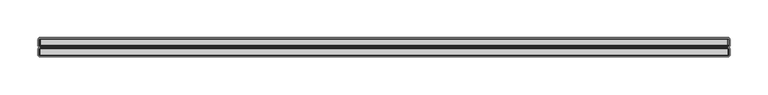
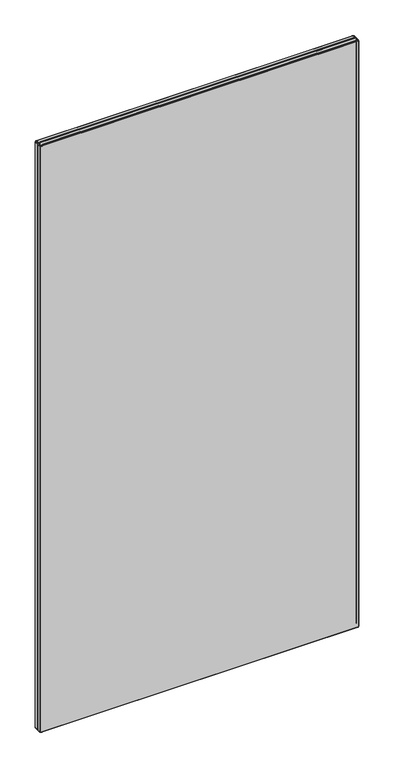
"""IFC4 building model written with IfcOpenShell, lengths in millimetres: furniture geometry."""

from ifc_helpers import new_model, si_unit, origin, place, context, project, spatial, triangles, source, transform, mapped, element, save


def furniture_6522b2c6(model_context):
    return source(origin(), model_context, "Body", "Tessellation", [
        triangles([(2870.2619253, 4757.3664517, 207.2580069), (2870.2619253, 4749.1983456, 207.2580069), (2869.2039957, 4749.1983456, 207.964995), (2869.2039957, 4757.3664517, 207.964995), (2871.5089422, 4758.8143284, 1981.3950462), (2870.8799108, 4758.8143284, 1981.2700539), (2870.4850221, 4758.3913891, 1982.2240654), (2871.5089422, 4758.3913891, 1982.42696), (2869.0359827, 4758.3913891, 209.2450041), (2868.4979341, 4757.3664517, 209.0219981), (2868.2489668, 4757.3664517, 210.269996), (2868.8319254, 4758.3913891, 210.269996), (2870.4850221, 4758.3913891, 207.7970002), (2870.8799108, 4758.8143284, 208.7509935), (2871.5089422, 4758.8143284, 208.6260012), (2871.5089422, 4758.3913891, 207.5929974), (3778.9898878, 4757.3664517, 1983.0100639), (2871.5089422, 4757.3664517, 1983.0100639), (2871.5089422, 4749.1983456, 1983.0100639), (3778.9898878, 4749.1983456, 1983.0100639), (3782.2489912, 4749.1983456, 1979.7509605), (3782.2489912, 4749.1983456, 210.269996), (3782.2489912, 4757.3664517, 210.269996), (3782.2489912, 4757.3664517, 1979.7509605), (3780.2369047, 4749.1983456, 1982.7619686), (3780.2369047, 4757.3664517, 1982.7619686), (3780.8830862, 4758.3913891, 1981.6429962), (3780.0139532, 4758.3913891, 1982.2240654), (3781.2949796, 4757.3664517, 1982.0560524), (3778.9898878, 4758.3913891, 1982.42696), (3779.6189191, 4758.8143284, 1981.2700539), (3778.9898878, 4758.8143284, 1981.3950462), (3780.1520261, 4758.8143284, 1980.9129536), (2868.4979341, 4757.3664517, 1980.9979774), (2868.4979341, 4749.1983456, 1980.9979774), (2869.2039957, 4749.1983456, 1982.0560524), (2869.2039957, 4757.3664517, 1982.0560524), (2868.2489668, 4749.1983456, 1979.7509605), (2868.2489668, 4757.3664517, 1979.7509605), (2869.0359827, 4758.3913891, 1980.7750259), (2868.8319254, 4758.3913891, 1979.7509605), (2870.2619253, 4757.3664517, 1982.7619686), (2869.6158891, 4758.3913891, 1981.6429962), (3781.4629926, 4758.3913891, 1980.7750259), (3780.5089811, 4758.8143284, 1980.3799919), (2871.5089422, 4757.3664517, 207.0100024), (2869.6158891, 4758.3913891, 208.3769975), (3782.0010412, 4757.3664517, 1980.9979774), (2870.3469492, 4758.8143284, 209.1070038), (3781.6670499, 4758.3913891, 210.269996), (3781.6670499, 4758.3913891, 1979.7509605), (3782.0010412, 4749.1983456, 209.0219981), (3782.0010412, 4757.3664517, 209.0219981), (3781.2949796, 4749.1983456, 1982.0560524), (3782.0010412, 4749.1983456, 1980.9979774), (2869.8650018, 4758.8143284, 1979.7509605), (2869.8650018, 4758.8143284, 210.269996), (3781.2949796, 4757.3664517, 207.964995), (3781.2949796, 4749.1983456, 207.964995), (2871.5089422, 4749.1983456, 207.0100024), (3780.2369047, 4749.1983456, 207.2580069), (3780.2369047, 4757.3664517, 207.2580069), (3778.9898878, 4757.3664517, 207.0100024), (3778.9898878, 4749.1983456, 207.0100024), (3778.9898878, 4758.3913891, 207.5929974), (3780.0139532, 4758.3913891, 207.7970002), (3780.8830862, 4758.3913891, 208.3769975), (3781.4629926, 4758.3913891, 209.2450041), (3780.5089811, 4758.8143284, 209.6400018), (3780.6339735, 4758.8143284, 210.269996), (3780.1520261, 4758.8143284, 209.1070038), (3779.6189191, 4758.8143284, 208.7509935), (3778.9898878, 4758.8143284, 208.6260012), (2869.9899942, 4758.8143284, 209.6400018), (3780.6339735, 4758.8143284, 1979.7509605), (2870.3469492, 4758.8143284, 1980.9129536), (2870.2619253, 4749.1983456, 1982.7619686), (2869.9899942, 4758.8143284, 1980.3799919), (2868.2489668, 4749.1983456, 210.269996), (2868.4979341, 4749.1983456, 209.0219981), (2871.5089422, 4757.3664517, 1982.8680668), (2871.5089422, 4748.1734081, 1982.42696), (2871.5089422, 4747.7504688, 1981.3950462), (3778.9898878, 4747.7504688, 1981.3950462), (3778.9898878, 4748.1734081, 1982.42696), (2870.3340139, 4746.8002361, 1979.6560535), (2871.6039945, 4746.8002361, 1980.9260342), (2871.1179777, 4746.8002361, 1980.8289471), (2870.4309557, 4746.8002361, 1980.1420704), (3779.6189191, 4747.7504688, 1981.2700539), (3780.0139532, 4748.1734081, 1982.2240654), (3778.9898878, 4760.1872097, 1981.3950462), (2871.5089422, 4760.1872097, 1981.3950462), (2869.8650018, 4760.1872097, 210.269996), (2869.9899942, 4760.1872097, 209.6400018), (3781.4629926, 4748.1734081, 1980.7750259), (3780.8830862, 4748.1734081, 1981.6429962), (2869.9899942, 4760.1872097, 1980.3799919), (2869.8650018, 4760.1872097, 1979.7509605), (3780.6339735, 4760.1872097, 1979.7509605), (3780.5089811, 4760.1872097, 1980.3799919), (2870.8799108, 4760.1872097, 1981.2700539), (2870.3469492, 4760.1872097, 1980.9129536), (3779.3808523, 4746.8002361, 1980.8289471), (3778.8948354, 4746.8002361, 1980.9260342), (3780.1648161, 4746.8002361, 1979.6560535), (3780.0680196, 4746.8002361, 1980.1420704), (2870.4309557, 4746.8002361, 209.8789952), (2870.7059389, 4746.8002361, 209.4669927), (2871.1179777, 4746.8002361, 209.1909921), (2870.3340139, 4746.8002361, 210.3649939), (3780.1648161, 4746.8002361, 210.3649939), (3780.0680196, 4746.8002361, 209.8789952), (3778.8948354, 4746.8002361, 209.0949951), (3779.3808523, 4746.8002361, 209.1909921), (2871.6039945, 4746.8002361, 209.0949951), (3779.6189191, 4760.1872097, 1981.2700539), (3780.1520261, 4760.1872097, 1980.9129536), (3779.6189191, 4760.1872097, 208.7509935), (3778.9898878, 4760.1872097, 208.6260012), (3779.7930364, 4746.8002361, 209.4669927), (2871.5089422, 4760.1872097, 208.6260012), (2870.8799108, 4760.1872097, 208.7509935), (2870.3469492, 4760.1872097, 209.1070038), (3780.1520261, 4760.1872097, 209.1070038), (2870.7059389, 4746.8002361, 1980.5539639), (3780.6339735, 4760.1872097, 210.269996), (3779.7930364, 4746.8002361, 1980.5539639), (3780.5089811, 4760.1872097, 209.6400018), (3781.6670499, 4748.1734081, 1979.7509605), (2868.8319254, 4748.1734081, 210.269996), (2869.8650018, 4747.7504688, 210.269996), (2869.8650018, 4747.7504688, 1979.7509605), (2868.8319254, 4748.1734081, 1979.7509605), (3781.4629926, 4748.1734081, 209.2450041), (3780.5089811, 4747.7504688, 209.6400018), (3780.1520261, 4747.7504688, 209.1070038), (3780.8830862, 4748.1734081, 208.3769975), (2870.4850221, 4748.1734081, 207.7970002), (2869.6158891, 4748.1734081, 208.3769975), (2871.5089422, 4748.1734081, 207.5929974), (2870.8799108, 4747.7504688, 208.7509935), (2870.3469492, 4747.7504688, 209.1070038), (2869.9899942, 4747.7504688, 209.6400018), (2869.0359827, 4748.1734081, 209.2450041), (3781.6670499, 4748.1734081, 210.269996), (3778.9898878, 4748.1734081, 207.5929974), (3780.0139532, 4748.1734081, 207.7970002), (3780.6339735, 4747.7504688, 210.269996), (3779.6189191, 4747.7504688, 208.7509935), (2871.5089422, 4747.7504688, 208.6260012), (2869.9899942, 4747.7504688, 1980.3799919), (2870.3469492, 4747.7504688, 1980.9129536), (2869.6158891, 4748.1734081, 1981.6429962), (2869.0359827, 4748.1734081, 1980.7750259), (2870.8799108, 4747.7504688, 1981.2700539), (3780.1520261, 4747.7504688, 1980.9129536), (3780.5089811, 4747.7504688, 1980.3799919), (3778.9898878, 4747.7504688, 208.6260012), (3780.6339735, 4747.7504688, 1979.7509605), (2870.4850221, 4748.1734081, 1982.2240654), (2871.5089422, 4760.609277, 1982.42696), (2871.5089422, 4761.6342144, 1983.0100639), (2870.2619253, 4761.6342144, 1982.7619686), (2870.4850221, 4760.609277, 1982.2240654), (3781.2949796, 4769.8031925, 207.964995), (3782.0010412, 4769.8031925, 209.0219981), (3782.0010412, 4761.6342144, 209.0219981), (3781.2949796, 4761.6342144, 207.964995), (3780.0139532, 4760.609277, 207.7970002), (3780.2369047, 4761.6342144, 207.2580069), (3780.8830862, 4760.609277, 208.3769975), (3782.0010412, 4761.6342144, 1980.9979774), (3782.0010412, 4769.8031925, 1980.9979774), (3781.2949796, 4769.8031925, 1982.0560524), (3781.2949796, 4761.6342144, 1982.0560524), (3781.4629926, 4760.609277, 209.2450041), (3781.6670499, 4760.609277, 210.269996), (2871.5089422, 4761.6342144, 207.0100024), (2870.2619253, 4761.6342144, 207.2580069), (2870.2619253, 4769.8031925, 207.2580069), (2871.5089422, 4769.8031925, 207.0100024), (3778.9898878, 4769.8031925, 207.0100024), (3780.2369047, 4769.8031925, 207.2580069), (3778.9898878, 4761.6342144, 207.0100024), (3781.4629926, 4760.609277, 1980.7750259), (3780.8830862, 4760.609277, 1981.6429962), (3782.2489912, 4761.6342144, 1979.7509605), (3781.6670499, 4760.609277, 1979.7509605), (2869.2039957, 4761.6342144, 1982.0560524), (2870.2619253, 4769.8031925, 1982.7619686), (2869.2039957, 4769.8031925, 1982.0560524), (2869.6158891, 4760.609277, 208.3769975), (2869.0359827, 4760.609277, 209.2450041), (2868.4979341, 4761.6342144, 209.0219981), (2869.2039957, 4761.6342144, 207.964995), (2871.5089422, 4760.609277, 207.5929974), (2870.4850221, 4760.609277, 207.7970002), (3782.2489912, 4761.6342144, 210.269996), (3782.2489912, 4769.8031925, 210.269996), (3782.2489912, 4769.8031925, 1979.7509605), (2869.2039957, 4769.8031925, 207.964995), (2871.5089422, 4769.8031925, 1983.0100639), (3780.0139532, 4760.609277, 1982.2240654), (3780.2369047, 4761.6342144, 1982.7619686), (3778.9898878, 4761.6342144, 1983.0100639), (3778.9898878, 4760.609277, 1982.42696), (2869.6158891, 4760.609277, 1981.6429962), (2868.4979341, 4761.6342144, 1980.9979774), (2869.0359827, 4760.609277, 1980.7750259), (2868.8319254, 4760.609277, 210.269996), (3778.9898878, 4760.609277, 207.5929974), (3780.2369047, 4769.8031925, 1982.7619686), (3778.9898878, 4769.8031925, 1983.0100639), (2868.2489668, 4761.6342144, 1979.7509605), (2868.4979341, 4769.8031925, 1980.9979774), (2868.2489668, 4769.8031925, 1979.7509605), (2868.2489668, 4761.6342144, 210.269996), (2868.8319254, 4760.609277, 1979.7509605), (2871.5089422, 4761.6342144, 1982.8680668), (2868.2489668, 4769.8031925, 210.269996), (2868.4979341, 4769.8031925, 209.0219981), (2869.0359827, 4770.8284207, 1980.7750259), (2869.6158891, 4770.8284207, 1981.6429962), (2871.5089422, 4771.2501972, 1981.3950462), (2870.8799108, 4771.2501972, 1981.2700539), (2870.4850221, 4770.8284207, 1982.2240654), (2871.5089422, 4770.8284207, 1982.42696), (2870.3469492, 4771.2501972, 1980.9129536), (2869.9899942, 4771.2501972, 1980.3799919), (2869.8650018, 4771.2501972, 1979.7509605), (2868.8319254, 4770.8284207, 1979.7509605), (2869.8650018, 4771.2501972, 210.269996), (2868.8319254, 4770.8284207, 210.269996), (2870.4850221, 4770.8284207, 207.7970002), (2869.6158891, 4770.8284207, 208.3769975), (2870.4309557, 4772.2004299, 209.8789952), (2871.1179777, 4772.2004299, 209.1909921), (2870.7059389, 4772.2004299, 209.4669927), (2870.3340139, 4772.2004299, 1979.6560535), (2871.6039945, 4772.2004299, 1980.9260342), (3778.8948354, 4772.2004299, 1980.9260342), (3780.1648161, 4772.2004299, 1979.6560535), (3780.8830862, 4770.8284207, 1981.6429962), (3780.1520261, 4771.2501972, 1980.9129536), (3779.6189191, 4771.2501972, 1981.2700539), (3780.0139532, 4770.8284207, 1982.2240654), (2869.0359827, 4770.8284207, 209.2450041), (2870.4309557, 4772.2004299, 1980.1420704), (2871.1179777, 4772.2004299, 1980.8289471), (3779.3808523, 4772.2004299, 209.1909921), (3780.0680196, 4772.2004299, 209.8789952), (3779.7930364, 4772.2004299, 209.4669927), (3778.9898878, 4770.8284207, 1982.42696), (3781.4629926, 4770.8284207, 1980.7750259), (3780.5089811, 4771.2501972, 1980.3799919), (3780.1648161, 4772.2004299, 210.3649939), (2870.3340139, 4772.2004299, 210.3649939), (2871.5089422, 4770.8284207, 207.5929974), (2869.9899942, 4771.2501972, 209.6400018), (3779.3808523, 4772.2004299, 1980.8289471), (3779.7930364, 4772.2004299, 1980.5539639), (3780.0680196, 4772.2004299, 1980.1420704), (3781.6670499, 4770.8284207, 1979.7509605), (2870.3469492, 4771.2501972, 209.1070038), (2870.7059389, 4772.2004299, 1980.5539639), (2870.8799108, 4771.2501972, 208.7509935), (2871.5089422, 4771.2501972, 208.6260012), (3780.6339735, 4771.2501972, 1979.7509605), (2871.6039945, 4772.2004299, 209.0949951), (3778.9898878, 4771.2501972, 1981.3950462), (3778.8948354, 4772.2004299, 209.0949951), (3781.6670499, 4770.8284207, 210.269996), (3780.6339735, 4771.2501972, 210.269996), (3778.9898878, 4771.2501972, 208.6260012), (3778.9898878, 4770.8284207, 207.5929974), (3780.1520261, 4771.2501972, 209.1070038), (3779.6189191, 4771.2501972, 208.7509935), (3780.5089811, 4771.2501972, 209.6400018), (3780.8830862, 4770.8284207, 208.3769975), (3780.0139532, 4770.8284207, 207.7970002), (3781.4629926, 4770.8284207, 209.2450041)], [[1, 2, 3], [1, 3, 4], [5, 6, 7], [5, 7, 8], [9, 10, 11], [9, 11, 12], [13, 14, 15], [13, 15, 16], [17, 18, 19], [17, 19, 20], [21, 22, 23], [21, 23, 24], [17, 20, 25], [17, 25, 26], [27, 28, 26], [27, 26, 29], [30, 17, 26], [30, 26, 28], [30, 28, 31], [30, 31, 32], [27, 33, 31], [27, 31, 28], [34, 35, 36], [34, 36, 37], [38, 35, 34], [38, 34, 39], [39, 34, 40], [39, 40, 41], [37, 42, 7], [37, 7, 43], [27, 44, 45], [27, 45, 33], [40, 34, 37], [40, 37, 43], [7, 42, 18], [7, 18, 8], [46, 1, 13], [46, 13, 16], [4, 10, 9], [4, 9, 47], [27, 29, 48], [27, 48, 44], [49, 14, 13], [49, 13, 47], [24, 23, 50], [24, 50, 51], [23, 22, 52], [23, 52, 53], [13, 1, 4], [13, 4, 47], [29, 54, 55], [29, 55, 48], [41, 56, 57], [41, 57, 12], [58, 53, 52], [58, 52, 59], [60, 2, 1], [60, 1, 46], [58, 59, 61], [58, 61, 62], [63, 62, 61], [63, 61, 64], [65, 66, 62], [65, 62, 63], [67, 58, 62], [67, 62, 66], [67, 68, 53], [67, 53, 58], [50, 23, 53], [50, 53, 68], [50, 68, 69], [50, 69, 70], [67, 71, 69], [67, 69, 68], [67, 66, 72], [67, 72, 71], [65, 73, 72], [65, 72, 66], [64, 60, 46], [64, 46, 63], [9, 74, 49], [9, 49, 47], [50, 70, 75], [50, 75, 51], [7, 6, 76], [7, 76, 43], [57, 74, 9], [57, 9, 12], [29, 26, 25], [29, 25, 54], [36, 77, 42], [36, 42, 37], [24, 48, 55], [24, 55, 21], [51, 75, 45], [51, 45, 44], [76, 78, 40], [76, 40, 43], [30, 32, 5], [30, 5, 8], [40, 78, 56], [40, 56, 41], [39, 11, 79], [39, 79, 38], [41, 12, 11], [41, 11, 39], [3, 80, 10], [3, 10, 4], [10, 80, 79], [10, 79, 11], [42, 77, 19], [42, 19, 18], [51, 44, 48], [51, 48, 24], [30, 8, 81], [30, 81, 17], [82, 83, 84], [82, 84, 85], [58, 62, 66], [58, 66, 67], [16, 13, 14], [16, 14, 15], [47, 49, 14], [47, 14, 13], [86, 87, 88], [86, 88, 89], [84, 90, 91], [84, 91, 85], [92, 93, 5], [92, 5, 32], [94, 95, 74], [94, 74, 57], [96, 55, 54], [96, 54, 97], [98, 99, 56], [98, 56, 78], [100, 101, 45], [100, 45, 75], [47, 9, 74], [47, 74, 49], [68, 69, 70], [68, 70, 50], [16, 15, 73], [16, 73, 65], [4, 3, 80], [4, 80, 10], [102, 103, 76], [102, 76, 6], [16, 46, 1], [16, 1, 13], [106, 104, 105], [104, 106, 107], [108, 109, 110], [106, 105, 87], [106, 87, 86], [73, 72, 66], [73, 66, 65], [46, 60, 2], [46, 2, 1], [47, 4, 10], [47, 10, 9], [106, 86, 111], [106, 111, 112], [114, 113, 112], [113, 114, 115], [111, 116, 114], [111, 114, 112], [68, 53, 58], [68, 58, 67], [102, 6, 5], [102, 5, 93], [92, 32, 31], [92, 31, 117], [118, 33, 45], [118, 45, 101], [119, 72, 73], [119, 73, 120], [115, 121, 113], [122, 15, 14], [122, 14, 123], [71, 69, 68], [71, 68, 67], [124, 123, 14], [124, 14, 49], [119, 125, 71], [119, 71, 72], [53, 52, 59], [53, 59, 58], [66, 72, 71], [66, 71, 67], [124, 49, 74], [124, 74, 95], [94, 57, 56], [94, 56, 99], [91, 25, 20], [91, 20, 85], [20, 19, 82], [20, 82, 85], [22, 52, 53], [22, 53, 23], [118, 117, 31], [118, 31, 33], [108, 110, 116], [111, 108, 116], [89, 88, 126], [23, 53, 68], [23, 68, 50], [59, 61, 62], [59, 62, 58], [62, 61, 64], [62, 64, 63], [63, 46, 16], [63, 16, 65], [11, 10, 80], [11, 80, 79], [98, 78, 76], [98, 76, 103], [100, 75, 70], [100, 70, 127], [104, 107, 128], [47, 13, 1], [47, 1, 4], [129, 127, 70], [129, 70, 69], [12, 57, 74], [12, 74, 9], [4, 1, 2], [4, 2, 3], [129, 69, 71], [129, 71, 125], [122, 120, 73], [122, 73, 15], [21, 55, 96], [21, 96, 130], [54, 25, 91], [54, 91, 97], [12, 9, 10], [12, 10, 11], [66, 62, 63], [66, 63, 65], [131, 132, 133], [131, 133, 134], [135, 136, 137], [135, 137, 138], [3, 2, 139], [3, 139, 140], [139, 2, 60], [139, 60, 141], [139, 142, 143], [139, 143, 140], [143, 144, 145], [143, 145, 140], [140, 3, 2], [140, 2, 139], [140, 145, 80], [140, 80, 3], [146, 135, 52], [146, 52, 22], [147, 64, 61], [147, 61, 148], [149, 136, 135], [149, 135, 146], [140, 143, 144], [140, 144, 145], [138, 137, 150], [138, 150, 148], [151, 142, 139], [151, 139, 141], [145, 144, 132], [145, 132, 131], [152, 89, 126], [152, 126, 153], [131, 79, 80], [131, 80, 145], [141, 151, 142], [141, 142, 139], [138, 59, 52], [138, 52, 135], [59, 52, 135], [59, 135, 138], [152, 133, 86], [152, 86, 89], [137, 150, 148], [137, 148, 138], [154, 155, 152], [154, 152, 153], [156, 153, 126], [156, 126, 88], [91, 90, 157], [91, 157, 97], [156, 88, 87], [156, 87, 83], [64, 61, 148], [64, 148, 147], [38, 79, 131], [38, 131, 134], [135, 52, 22], [135, 22, 146], [138, 148, 61], [138, 61, 59], [84, 83, 87], [84, 87, 105], [84, 105, 104], [84, 104, 90], [157, 90, 104], [157, 104, 128], [157, 128, 107], [157, 107, 158], [147, 159, 151], [147, 151, 141], [130, 160, 149], [130, 149, 146], [160, 158, 107], [160, 107, 106], [132, 111, 86], [132, 86, 133], [111, 132, 144], [111, 144, 108], [109, 108, 144], [109, 144, 143], [109, 143, 142], [109, 142, 110], [116, 110, 142], [116, 142, 151], [159, 114, 116], [159, 116, 151], [140, 139, 142], [140, 142, 143], [130, 146, 22], [130, 22, 21], [148, 61, 59], [148, 59, 138], [134, 155, 35], [134, 35, 38], [154, 153, 156], [154, 156, 161], [154, 36, 35], [154, 35, 155], [154, 161, 77], [154, 77, 36], [82, 19, 77], [82, 77, 161], [131, 145, 144], [131, 144, 132], [96, 158, 160], [96, 160, 130], [148, 150, 159], [148, 159, 147], [157, 158, 96], [157, 96, 97], [141, 139, 2], [141, 2, 60], [82, 161, 156], [82, 156, 83], [147, 141, 60], [147, 60, 64], [147, 148, 150], [147, 150, 159], [138, 135, 136], [138, 136, 137], [134, 133, 152], [134, 152, 155], [146, 149, 136], [146, 136, 135], [79, 80, 145], [79, 145, 131], [145, 80, 3], [145, 3, 140], [162, 163, 164], [162, 164, 165], [166, 167, 168], [166, 168, 169], [170, 171, 169], [170, 169, 172], [173, 174, 175], [173, 175, 176], [127, 129, 177], [127, 177, 178], [177, 129, 125], [177, 125, 172], [179, 180, 181], [179, 181, 182], [183, 184, 171], [183, 171, 185], [112, 113, 136], [112, 136, 149], [186, 173, 176], [186, 176, 187], [188, 173, 186], [188, 186, 189], [190, 164, 191], [190, 191, 192], [193, 194, 195], [193, 195, 196], [197, 122, 123], [197, 123, 198], [114, 159, 150], [114, 150, 115], [118, 101, 186], [118, 186, 187], [188, 199, 200], [188, 200, 201], [171, 184, 166], [171, 166, 169], [177, 168, 199], [177, 199, 178], [125, 119, 170], [125, 170, 172], [185, 179, 182], [185, 182, 183], [168, 167, 200], [168, 200, 199], [196, 202, 181], [196, 181, 180], [121, 137, 136], [121, 136, 113], [163, 203, 191], [163, 191, 164], [169, 168, 177], [169, 177, 172], [193, 198, 123], [193, 123, 124], [204, 205, 206], [204, 206, 207], [208, 190, 209], [208, 209, 210], [211, 194, 95], [211, 95, 94], [185, 171, 170], [185, 170, 212], [170, 119, 120], [170, 120, 212], [185, 183, 184], [185, 184, 171], [205, 213, 214], [205, 214, 206], [215, 209, 216], [215, 216, 217], [215, 218, 211], [215, 211, 219], [197, 198, 180], [197, 180, 179], [193, 124, 95], [193, 95, 194], [206, 220, 162], [206, 162, 207], [219, 99, 98], [219, 98, 210], [189, 100, 127], [189, 127, 178], [201, 174, 173], [201, 173, 188], [162, 165, 102], [162, 102, 93], [160, 106, 112], [160, 112, 149], [204, 117, 118], [204, 118, 187], [121, 115, 150], [121, 150, 137], [92, 117, 204], [92, 204, 207], [186, 101, 100], [186, 100, 189], [208, 103, 102], [208, 102, 165], [176, 205, 204], [176, 204, 187], [214, 203, 163], [214, 163, 206], [190, 192, 216], [190, 216, 209], [208, 165, 164], [208, 164, 190], [208, 210, 98], [208, 98, 103], [217, 221, 218], [217, 218, 215], [211, 94, 99], [211, 99, 219], [218, 221, 222], [218, 222, 195], [196, 195, 222], [196, 222, 202], [193, 196, 180], [193, 180, 198], [211, 218, 195], [211, 195, 194], [175, 213, 205], [175, 205, 176], [219, 210, 209], [219, 209, 215], [162, 93, 92], [162, 92, 207], [189, 178, 199], [189, 199, 188], [223, 216, 192], [223, 192, 224], [225, 226, 227], [225, 227, 228], [229, 230, 223], [229, 223, 224], [202, 181, 180], [202, 180, 196], [212, 185, 171], [212, 171, 170], [218, 195, 194], [218, 194, 211], [223, 230, 231], [223, 231, 232], [172, 170, 171], [172, 171, 169], [195, 222, 202], [195, 202, 196], [232, 231, 233], [232, 233, 234], [235, 181, 202], [235, 202, 236], [237, 238, 239], [240, 241, 242], [240, 242, 243], [244, 245, 246], [244, 246, 247], [202, 222, 248], [202, 248, 236], [180, 181, 182], [180, 182, 179], [249, 250, 241], [240, 249, 241], [251, 252, 253], [244, 247, 213], [244, 213, 175], [254, 214, 213], [254, 213, 247], [244, 255, 256], [244, 256, 245], [257, 258, 240], [257, 240, 243], [254, 228, 203], [254, 203, 214], [192, 191, 227], [192, 227, 224], [244, 175, 174], [244, 174, 255], [232, 234, 221], [232, 221, 217], [248, 222, 221], [248, 221, 234], [182, 181, 235], [182, 235, 259], [233, 260, 248], [233, 248, 234], [178, 127, 129], [178, 129, 177], [261, 262, 263], [264, 255, 174], [264, 174, 201], [248, 260, 265], [248, 265, 236], [249, 266, 250], [265, 267, 235], [265, 235, 236], [235, 267, 268], [235, 268, 259], [212, 170, 119], [212, 119, 120], [172, 169, 168], [172, 168, 177], [221, 222, 195], [221, 195, 218], [198, 180, 179], [198, 179, 197], [124, 95, 194], [124, 194, 193], [264, 269, 256], [264, 256, 255], [172, 125, 119], [172, 119, 170], [122, 123, 198], [122, 198, 197], [194, 95, 94], [194, 94, 211], [227, 191, 203], [227, 203, 228], [227, 226, 229], [227, 229, 224], [212, 120, 122], [212, 122, 197], [212, 197, 179], [212, 179, 185], [169, 171, 184], [169, 184, 166], [194, 195, 196], [194, 196, 193], [169, 166, 167], [169, 167, 168], [196, 180, 198], [196, 198, 193], [258, 270, 238], [258, 238, 237], [254, 247, 246], [254, 246, 271], [217, 216, 223], [217, 223, 232], [172, 177, 129], [172, 129, 125], [198, 123, 124], [198, 124, 193], [178, 177, 168], [178, 168, 199], [242, 263, 243], [263, 242, 261], [257, 251, 272], [251, 257, 252], [199, 168, 167], [199, 167, 200], [257, 272, 270], [257, 270, 258], [254, 271, 225], [254, 225, 228], [237, 260, 233], [237, 233, 258], [273, 274, 269], [273, 269, 264], [259, 268, 275], [259, 275, 276], [236, 265, 267], [236, 267, 235], [268, 267, 238], [268, 238, 270], [277, 278, 251], [277, 251, 253], [252, 279, 277], [252, 277, 253], [280, 166, 184], [280, 184, 281], [277, 279, 282], [277, 282, 280], [259, 235, 267], [259, 267, 268], [280, 277, 279], [280, 279, 282], [249, 240, 231], [249, 231, 230], [231, 240, 258], [231, 258, 233], [274, 279, 252], [274, 252, 257], [280, 281, 278], [280, 278, 277], [282, 279, 274], [282, 274, 273], [200, 167, 282], [200, 282, 273], [276, 275, 278], [276, 278, 281], [236, 248, 260], [236, 260, 265], [273, 282, 279], [273, 279, 274], [225, 241, 250], [225, 250, 226], [242, 241, 225], [271, 242, 225], [234, 233, 260], [234, 260, 248], [273, 200, 167], [273, 167, 282], [282, 167, 166], [282, 166, 280], [229, 266, 249], [229, 249, 230], [250, 266, 229], [250, 229, 226], [243, 263, 256], [243, 256, 269], [268, 270, 272], [268, 272, 275], [274, 257, 243], [274, 243, 269], [234, 248, 222], [234, 222, 221], [166, 184, 281], [166, 281, 280], [183, 182, 259], [183, 259, 276], [276, 281, 184], [276, 184, 183], [251, 278, 275], [251, 275, 272], [265, 260, 237], [265, 237, 239], [259, 182, 181], [259, 181, 235], [281, 278, 277], [281, 277, 280], [256, 263, 262], [256, 262, 245], [236, 202, 222], [236, 222, 248], [262, 261, 246], [262, 246, 245], [281, 184, 183], [281, 183, 276], [238, 267, 265], [238, 265, 239], [236, 235, 181], [236, 181, 202], [201, 200, 273], [201, 273, 264], [246, 261, 242], [246, 242, 271], [280, 282, 167], [280, 167, 166], [275, 278, 281], [275, 281, 276]], closed=False),
    ])


if __name__ == "__main__":
    model = new_model("IFC4")
    model_context = context("Model", 3, world=origin())
    ifc_project = project(units=[si_unit("LENGTHUNIT", "METRE", prefix="MILLI")], contexts=[model_context])
    site = spatial("IfcSite", under=ifc_project)
    building = spatial("IfcBuilding", under=site)
    placement = place(None, origin())
    furniture_shape = furniture_6522b2c6(model_context)
    element("IfcFurniture", 1, at=placement, inside=building, context=model_context, shape_type="MappedRepresentation", body=[
        mapped(furniture_shape, transform((0.0, 0.0, 0.0), x_axis=(1.0, 0.0, 0.0), y_axis=(0.0, 1.0, 0.0), z_axis=(0.0, 0.0, 1.0))),
    ])
    save(model, "model.ifc")
